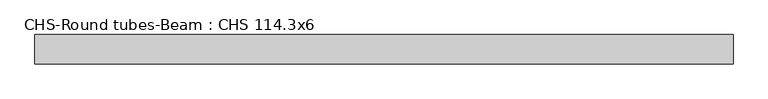
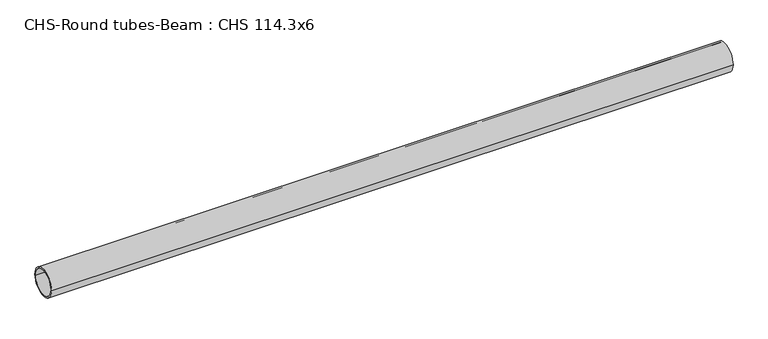
"""IFC4 building model written with IfcOpenShell, lengths in millimetres: beam geometry, CHS-Round tubes-Beam : CHS 114.3x6."""

from ifc_helpers import new_model, si_unit, point, frame, origin, origin_2d, place, context, project, spatial, circle_curve, trimmed, segment, composite_curve, outline, extrude, source, transform, mapped, element, save


def chs_round_tubes_beam_chs_114_3x6_c7116e8c(model_context):
    return source(origin(), model_context, "Body", "SweptSolid", [
        extrude(outline(composite_curve([segment(trimmed(circle_curve(origin_2d(), 57.15), [point((57.15, 0.0))], [point((-57.15, 0.0))], False, "CARTESIAN"), True, "CONTINUOUS"), segment(trimmed(circle_curve(origin_2d(), 57.15), [point((-57.15, 0.0))], [point((57.15, 0.0))], False, "CARTESIAN"), True, "CONTINUOUS")], self_intersect=False), holes=[composite_curve([segment(trimmed(circle_curve(origin_2d(), 51.15), [point((51.15, 0.0))], [point((-51.15, 0.0))], True, "CARTESIAN"), True, "CONTINUOUS"), segment(trimmed(circle_curve(origin_2d(), 51.15), [point((-51.15, 0.0))], [point((51.15, 0.0))], True, "CARTESIAN"), True, "CONTINUOUS")], self_intersect=False)]), frame((-1301.9473741, 0.0, 0.0), z_axis=(1.0, 0.0, 0.0), x_axis=(0.0, 1.0, 0.0)), (0.0, 0.0, 1.0), 2726.3015824),
    ])


if __name__ == "__main__":
    model = new_model("IFC4")
    model_context = context("Model", 3, world=origin())
    ifc_project = project(units=[si_unit("LENGTHUNIT", "METRE", prefix="MILLI")], contexts=[model_context])
    site = spatial("IfcSite", under=ifc_project)
    building = spatial("IfcBuilding", under=site)
    placement = place(None, origin())
    chs_round_tubes_beam_chs_114_3x6_shape = chs_round_tubes_beam_chs_114_3x6_c7116e8c(model_context)
    element("IfcBeam", 1, ObjectType="CHS-Round tubes-Beam : CHS 114.3x6", at=placement, inside=building, context=model_context, shape_type="MappedRepresentation", body=[
        mapped(chs_round_tubes_beam_chs_114_3x6_shape, transform((0.0, 0.0, 0.0), x_axis=(1.0, 0.0, 0.0), y_axis=(0.0, 1.0, 0.0), z_axis=(0.0, 0.0, 1.0))),
    ])
    save(model, "model.ifc")
